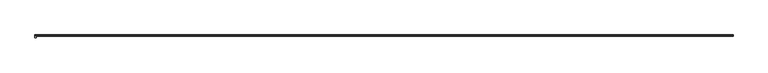
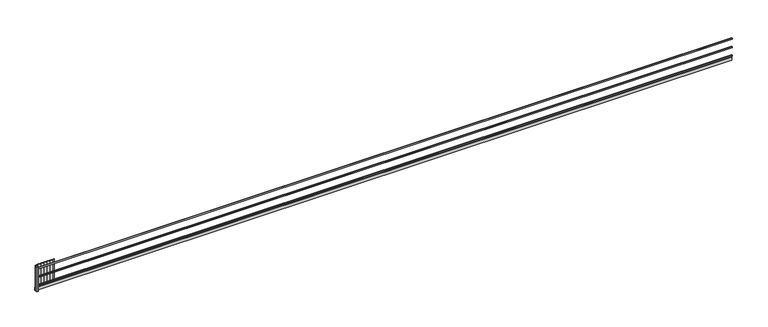
"""IFC4 building model written with IfcOpenShell, lengths in millimetres: geographic element geometry."""

from ifc_helpers import new_model, si_unit, frame, origin, origin_with_axes, place, context, project, spatial, polyline, outline, extrude, source, transform, mapped, element, save


def geographic_element_b9c343f0(model_context):
    return source(origin(), model_context, "Body", "SweptSolid", [
        extrude(outline(polyline([(1250.6871344, 20.0), (1100.3435672, 20.0), (1100.3435672, 40.0), (1250.6871344, 40.0), (1250.6871344, 20.0)])), frame((0.0, 0.0, 200.0), z_axis=(0.0, 0.0, 1.0), x_axis=(1.0, 0.0, 0.0)), (0.0, 0.0, 1.0), 1550.0),
        extrude(outline(polyline([(1150.3435672, 0.0), (1000.0, 0.0), (1000.0, 20.0), (1150.3435672, 20.0), (1150.3435672, 0.0)])), frame((0.0, 0.0, 200.0), z_axis=(0.0, 0.0, 1.0), x_axis=(1.0, 0.0, 0.0)), (0.0, 0.0, 1.0), 1550.0),
        extrude(outline(polyline([(1050.6871344, 20.0), (900.3435672, 20.0), (900.3435672, 40.0), (1050.6871344, 40.0), (1050.6871344, 20.0)])), frame((0.0, 0.0, 200.0), z_axis=(0.0, 0.0, 1.0), x_axis=(1.0, 0.0, 0.0)), (0.0, 0.0, 1.0), 1550.0),
        extrude(outline(polyline([(950.3435672, 0.0), (800.0, 0.0), (800.0, 20.0), (950.3435672, 20.0), (950.3435672, 0.0)])), frame((0.0, 0.0, 200.0), z_axis=(0.0, 0.0, 1.0), x_axis=(1.0, 0.0, 0.0)), (0.0, 0.0, 1.0), 1550.0),
        extrude(outline(polyline([(850.6871344, 20.0), (700.3435672, 20.0), (700.3435672, 40.0), (850.6871344, 40.0), (850.6871344, 20.0)])), frame((0.0, 0.0, 200.0), z_axis=(0.0, 0.0, 1.0), x_axis=(1.0, 0.0, 0.0)), (0.0, 0.0, 1.0), 1550.0),
        extrude(outline(polyline([(750.3435672, 0.0), (600.0, 0.0), (600.0, 20.0), (750.3435672, 20.0), (750.3435672, 0.0)])), frame((0.0, 0.0, 200.0), z_axis=(0.0, 0.0, 1.0), x_axis=(1.0, 0.0, 0.0)), (0.0, 0.0, 1.0), 1550.0),
        extrude(outline(polyline([(650.6871344, 20.0), (500.3435672, 20.0), (500.3435672, 40.0), (650.6871344, 40.0), (650.6871344, 20.0)])), frame((0.0, 0.0, 200.0), z_axis=(0.0, 0.0, 1.0), x_axis=(1.0, 0.0, 0.0)), (0.0, 0.0, 1.0), 1550.0),
        extrude(outline(polyline([(550.3435672, 0.0), (400.0, 0.0), (400.0, 20.0), (550.3435672, 20.0), (550.3435672, 0.0)])), frame((0.0, 0.0, 200.0), z_axis=(0.0, 0.0, 1.0), x_axis=(1.0, 0.0, 0.0)), (0.0, 0.0, 1.0), 1550.0),
        extrude(outline(polyline([(450.6871344, 20.0), (300.3435672, 20.0), (300.3435672, 40.0), (450.6871344, 40.0), (450.6871344, 20.0)])), frame((0.0, 0.0, 200.0), z_axis=(0.0, 0.0, 1.0), x_axis=(1.0, 0.0, 0.0)), (0.0, 0.0, 1.0), 1550.0),
        extrude(outline(polyline([(350.3435672, 0.0), (200.0, 0.0), (200.0, 20.0), (350.3435672, 20.0), (350.3435672, 0.0)])), frame((0.0, 0.0, 200.0), z_axis=(0.0, 0.0, 1.0), x_axis=(1.0, 0.0, 0.0)), (0.0, 0.0, 1.0), 1550.0),
        extrude(outline(polyline([(250.6871344, 20.0), (100.3435672, 20.0), (100.3435672, 40.0), (250.6871344, 40.0), (250.6871344, 20.0)])), frame((0.0, 0.0, 200.0), z_axis=(0.0, 0.0, 1.0), x_axis=(1.0, 0.0, 0.0)), (0.0, 0.0, 1.0), 1550.0),
        extrude(outline(polyline([(150.3435672, 0.0), (0.0, 0.0), (0.0, 20.0), (150.3435672, 20.0), (150.3435672, 0.0)])), frame((0.0, 0.0, 200.0), z_axis=(0.0, 0.0, 1.0), x_axis=(1.0, 0.0, 0.0)), (0.0, 0.0, 1.0), 1550.0),
        extrude(outline(polyline([(100.0, 0.0), (100.0, -150.0), (0.0, -150.0), (0.0, 0.0), (100.0, 0.0)])), origin_with_axes(), (0.0, 0.0, 1.0), 1700.0),
        extrude(outline(polyline([(45955.0, 40.0), (45955.0, 0.0), (0.0, 0.0), (0.0, 40.0), (45955.0, 40.0)])), origin_with_axes(), (0.0, 0.0, 1.0), 200.0),
        extrude(outline(polyline([(45955.0, 0.0), (45955.0, -50.0), (100.0, -50.0), (100.0, 0.0), (45955.0, 0.0)])), frame((0.0, 0.0, 891.4749271), z_axis=(0.0, 0.0, 1.0), x_axis=(1.0, 0.0, 0.0)), (0.0, 0.0, 1.0), 75.0),
        extrude(outline(polyline([(45955.0, 0.0), (45955.0, -50.0), (100.0, -50.0), (100.0, 0.0), (45955.0, 0.0)])), frame((0.0, 0.0, 1491.4749271), z_axis=(0.0, 0.0, 1.0), x_axis=(1.0, 0.0, 0.0)), (0.0, 0.0, 1.0), 75.0),
        extrude(outline(polyline([(45955.0, 0.0), (45955.0, -50.0), (100.0, -50.0), (100.0, 0.0), (45955.0, 0.0)])), frame((0.0, 0.0, 300.0), z_axis=(0.0, 0.0, 1.0), x_axis=(1.0, 0.0, 0.0)), (0.0, 0.0, 1.0), 75.0),
    ])


if __name__ == "__main__":
    model = new_model("IFC4")
    model_context = context("Model", 3, world=origin())
    ifc_project = project(units=[si_unit("LENGTHUNIT", "METRE", prefix="MILLI")], contexts=[model_context])
    site = spatial("IfcSite", under=ifc_project)
    building = spatial("IfcBuilding", under=site)
    placement = place(None, origin())
    geographic_element_shape = geographic_element_b9c343f0(model_context)
    element("IfcGeographicElement", 1, at=placement, inside=building, context=model_context, shape_type="MappedRepresentation", body=[
        mapped(geographic_element_shape, transform((0.0, 0.0, 0.0), x_axis=(1.0, 0.0, 0.0), y_axis=(0.0, 1.0, 0.0), z_axis=(0.0, 0.0, 1.0))),
    ])
    save(model, "model.ifc")
